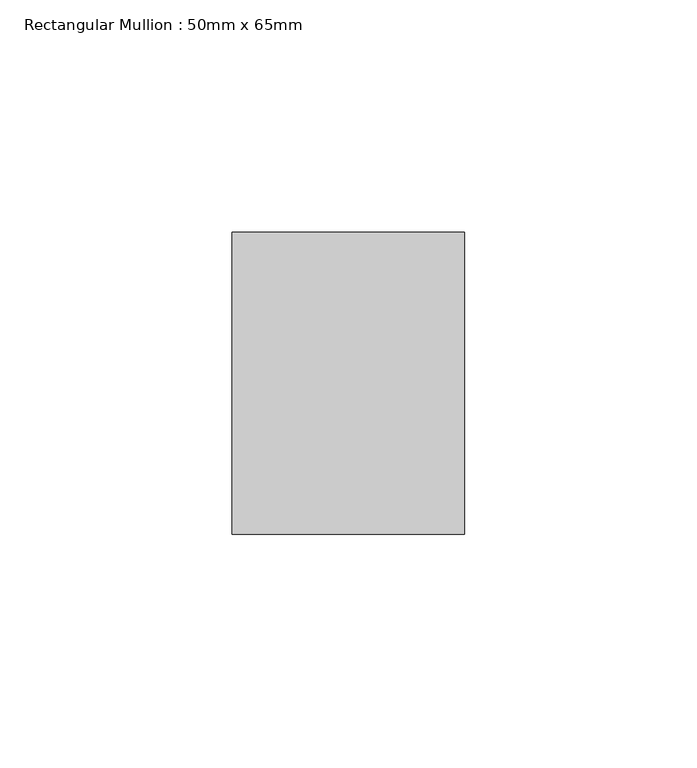
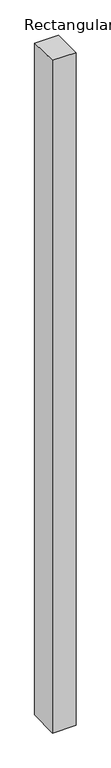
"""IFC4 building model written with IfcOpenShell, lengths in millimetres: member geometry, Rectangular Mullion : 50mm x 65mm."""

from ifc_helpers import new_model, si_unit, origin, place, context, project, spatial, faceted_brep, source, transform, mapped, element, save


def rectangular_mullion_50mm_x_65mm_3da8fe1c(model_context):
    return source(origin(), model_context, "Body", "Brep", [
        faceted_brep([(-25.0, 32.5, -0.4518128), (25.0, 32.5, -0.4518161), (25.0, 32.5, -1499.4318069), (-25.0, 32.5, -1499.4318111), (-25.0, -32.5, 0.4518161), (-25.0, -32.5, -1500.56845), (25.0, -32.5, 0.4518128), (25.0, -32.5, -1500.5684458)], [[[0, 1, 2, 3]], [[4, 0, 3, 5]], [[6, 4, 5, 7]], [[1, 6, 7, 2]], [[1, 0, 4, 6]], [[2, 7, 5, 3]]]),
    ])


if __name__ == "__main__":
    model = new_model("IFC4")
    model_context = context("Model", 3, world=origin())
    ifc_project = project(units=[si_unit("LENGTHUNIT", "METRE", prefix="MILLI")], contexts=[model_context])
    site = spatial("IfcSite", under=ifc_project)
    building = spatial("IfcBuilding", under=site)
    placement = place(None, origin())
    rectangular_mullion_50mm_x_65mm_shape = rectangular_mullion_50mm_x_65mm_3da8fe1c(model_context)
    element("IfcMember", 1, ObjectType="Rectangular Mullion : 50mm x 65mm", at=placement, inside=building, context=model_context, shape_type="MappedRepresentation", body=[
        mapped(rectangular_mullion_50mm_x_65mm_shape, transform((0.0, 0.0, 0.0), x_axis=(1.0, 0.0, 0.0), y_axis=(0.0, 1.0, 0.0), z_axis=(0.0, 0.0, 1.0))),
    ])
    save(model, "model.ifc")
